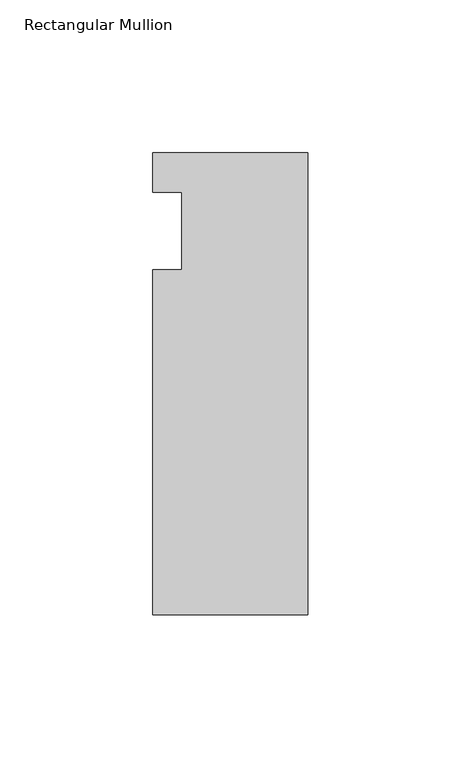
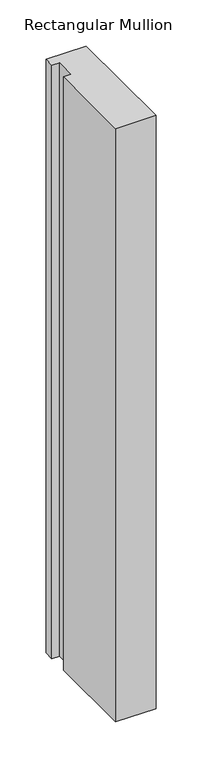
"""IFC4 building model written with IfcOpenShell, lengths in millimetres: member geometry, Rectangular Mullion."""

import ifcopenshell
import ifcopenshell.guid

model = None  # the IFC model being written
_history = None  # IfcOwnerHistory: only IFC2X3 demands one
_inside = {}  # id of a spatial element -> (the spatial element, [elements in it])
_under = {}  # id of a project, library or spatial element -> (it, [spatial elements below it])
_declared = {}  # id of a project -> (the project, [libraries it declares])
_typed = {}  # id of a type object -> (the type object, [elements of that type])
_made_of = {}  # id of a material, layer set ... -> (it, [elements and type objects made of it])


def new_model(schema):
    """Start an empty IFC model of exactly this schema.

    Asked for "IFC4X3", IfcOpenShell would pick the latest addendum, in which some entities
    have other attributes; the version numbers below select the first issue.
    IFC2X3 requires an IfcOwnerHistory on every rooted entity: one is made here for all.
    """
    global model, _history
    if schema == "IFC4X3":
        model = ifcopenshell.file(schema_version=(4, 3, 0, 0))
    else:
        model = ifcopenshell.file(schema=schema)
    _inside.clear()
    _under.clear()
    _declared.clear()
    _typed.clear()
    _made_of.clear()
    _history = None
    if model.schema == "IFC2X3":
        org = make("IfcOrganization", Name="unknown")
        user = make(
            "IfcPersonAndOrganization",
            ThePerson=make("IfcPerson", FamilyName="unknown"),
            TheOrganization=org,
        )
        app = make(
            "IfcApplication",
            ApplicationDeveloper=org,
            Version="unknown",
            ApplicationFullName="unknown",
            ApplicationIdentifier="unknown",
        )
        _history = make(
            "IfcOwnerHistory",
            OwningUser=user,
            OwningApplication=app,
            ChangeAction="ADDED",
            CreationDate=0,
        )
    return model


def make(cls, **values):
    """One entity of the class cls with the attributes given. An attribute that is None is left unset."""
    return model.create_entity(
        cls, **{name: value for name, value in values.items() if value is not None}
    )


def rooted(cls, **values):
    """An entity with a GlobalId (a new one), such as an element, a storey or a relation."""
    return make(cls, GlobalId=ifcopenshell.guid.new(), OwnerHistory=_history, **values)


def si_unit(unit_type, name, prefix=None):
    """IfcSIUnit, for example si_unit("LENGTHUNIT", "METRE", prefix="MILLI")."""
    return make("IfcSIUnit", UnitType=unit_type, Prefix=prefix, Name=name)


def assignment(units):
    """IfcUnitAssignment: the units of a project."""
    return None if units is None else make("IfcUnitAssignment", Units=units)


def point(xyz):
    """IfcCartesianPoint."""
    return None if xyz is None else make("IfcCartesianPoint", Coordinates=xyz)


def direction(xyz):
    """IfcDirection."""
    return None if xyz is None else make("IfcDirection", DirectionRatios=xyz)


def frame(location, z_axis=None, x_axis=None):
    """IfcAxis2Placement3D, a coordinate frame: its origin and axes. An axis left out is left unset."""
    return make(
        "IfcAxis2Placement3D",
        Location=point(location),
        Axis=direction(z_axis),
        RefDirection=direction(x_axis),
    )


def origin():
    """The frame at (0, 0, 0) with its axes left unset."""
    return frame((0.0, 0.0, 0.0))


def place(relative_to, where):
    """IfcLocalPlacement: puts the frame where relative to a parent placement (None: the world)."""
    return make(
        "IfcLocalPlacement", PlacementRelTo=relative_to, RelativePlacement=where
    )


def context(
    kind, dimensions, precision=None, world=None, true_north=None, identifier=None
):
    """IfcGeometricRepresentationContext, for example the 3D "Model" context."""
    return make(
        "IfcGeometricRepresentationContext",
        ContextIdentifier=identifier,
        ContextType=kind,
        CoordinateSpaceDimension=dimensions,
        Precision=precision,
        WorldCoordinateSystem=world,
        TrueNorth=true_north,
    )


def project(units=None, contexts=None):
    """IfcProject with its units and contexts."""
    return rooted(
        "IfcProject",
        Name="project",
        RepresentationContexts=contexts,
        UnitsInContext=assignment(units),
    )


def spatial(cls, under=None, at=None, **own):
    """A site, building, storey or space (cls), placed at a placement, below another one or the project."""
    s = rooted(cls, ObjectPlacement=at, **own)
    if under is not None:
        _under.setdefault(under.id(), (under, []))[1].append(s)
    return s


def polyline(points):
    """IfcPolyline through the points."""
    return make("IfcPolyline", Points=[point(p) for p in points])


def outline(outer, holes=None, kind="AREA"):
    """IfcArbitraryClosedProfileDef: a profile drawn as a closed curve; with holes, ...WithVoids."""
    if holes is None:
        return make("IfcArbitraryClosedProfileDef", ProfileType=kind, OuterCurve=outer)
    return make(
        "IfcArbitraryProfileDefWithVoids",
        ProfileType=kind,
        OuterCurve=outer,
        InnerCurves=holes,
    )


def extrude(swept, where, along, depth):
    """IfcExtrudedAreaSolid: the profile swept, set in the frame where, extruded along a direction by depth."""
    return make(
        "IfcExtrudedAreaSolid",
        SweptArea=swept,
        Position=where,
        ExtrudedDirection=direction(along),
        Depth=depth,
    )


def shape(context_of_items, identifier, shape_type, items):
    """IfcShapeRepresentation: the items that make up one representation, for example the "Body"."""
    return make(
        "IfcShapeRepresentation",
        ContextOfItems=context_of_items,
        RepresentationIdentifier=identifier,
        RepresentationType=shape_type,
        Items=items,
    )


def source(mapping_origin, context_of_items, identifier, shape_type, items):
    """IfcRepresentationMap: a shape defined once, which mapped items show again and again."""
    return make(
        "IfcRepresentationMap",
        MappingOrigin=mapping_origin,
        MappedRepresentation=shape(context_of_items, identifier, shape_type, items),
    )


def transform(
    local_origin,
    x_axis=None,
    y_axis=None,
    z_axis=None,
    scale=None,
    scale2=None,
    scale3=None,
    uniform=True,
):
    """IfcCartesianTransformationOperator3D, or its non-uniform kind. x_axis, y_axis, z_axis: its Axis1, 2, 3."""
    if uniform:
        return make(
            "IfcCartesianTransformationOperator3D",
            Axis1=direction(x_axis),
            Axis2=direction(y_axis),
            LocalOrigin=point(local_origin),
            Scale=scale,
            Axis3=direction(z_axis),
        )
    return make(
        "IfcCartesianTransformationOperator3DnonUniform",
        Axis1=direction(x_axis),
        Axis2=direction(y_axis),
        LocalOrigin=point(local_origin),
        Scale=scale,
        Axis3=direction(z_axis),
        Scale2=scale2,
        Scale3=scale3,
    )


def mapped(mapping_source, mapping_target):
    """IfcMappedItem: shows the shape of a source again, moved by a transform."""
    return make(
        "IfcMappedItem", MappingSource=mapping_source, MappingTarget=mapping_target
    )


def made_of(thing, what):
    """Note that an element or type object is made of a material, layer set ...; save() writes the relation."""
    if what is not None:
        _made_of.setdefault(what.id(), (what, []))[1].append(thing)
    return thing


def element(
    cls,
    number,
    at=None,
    inside=None,
    cuts=None,
    type_object=None,
    material=None,
    context=None,
    identifier="Body",
    shape_type=None,
    held_by="IfcProductDefinitionShape",
    body=None,
    shapes=None,
    **own,
):
    """One element of the class cls, such as IfcWall. Its Tag is "e" and its number.

    at: its placement. inside: the storey or other place that contains it. cuts: it is an
    opening in that element (IfcRelVoidsElement). A single representation is given by context,
    identifier, shape_type and body (its items); several are given by shapes. held_by: the class
    of the entity that holds the representations. save() writes the other relations.
    """
    e = rooted(cls, Tag="e%d" % number, ObjectPlacement=at, **own)
    if body is not None:
        shapes = [shape(context, identifier, shape_type, body)]
    if shapes is not None:
        e.Representation = make(held_by, Representations=shapes)
    if inside is not None:
        _inside.setdefault(inside.id(), (inside, []))[1].append(e)
    if cuts is not None:
        rooted(
            "IfcRelVoidsElement", RelatingBuildingElement=cuts, RelatedOpeningElement=e
        )
    if type_object is not None:
        _typed.setdefault(type_object.id(), (type_object, []))[1].append(e)
    return made_of(e, material)


def aggregate(whole, parts):
    """IfcRelAggregates: a whole, such as a stair, and the parts it consists of."""
    return rooted("IfcRelAggregates", RelatingObject=whole, RelatedObjects=parts)


def save(model, path):
    """Write the relations noted so far, then the file.

    IfcRelAggregates (storeys below a building ...), IfcRelContainedInSpatialStructure (elements
    in a storey), IfcRelDefinesByType, IfcRelAssociatesMaterial and IfcRelDeclares: one each for
    every whole, place, type object, material and project.
    """
    for whole, parts in _under.values():
        aggregate(whole, parts)
    for where, things in _inside.values():
        rooted(
            "IfcRelContainedInSpatialStructure",
            RelatedElements=things,
            RelatingStructure=where,
        )
    for kind, things in _typed.values():
        rooted("IfcRelDefinesByType", RelatedObjects=things, RelatingType=kind)
    for what, things in _made_of.values():
        rooted("IfcRelAssociatesMaterial", RelatedObjects=things, RelatingMaterial=what)
    for by, libraries in _declared.values():
        rooted("IfcRelDeclares", RelatingContext=by, RelatedDefinitions=libraries)
    model.write(path)


def rectangular_mullion_0cff3fb4(model_context):
    return source(origin(), model_context, "Body", "SweptSolid", [
        extrude(outline(polyline([(-25.4, 25.5984375), (25.4, 25.5984375), (25.4, -125.6109375), (-25.4, -125.6109375), (-25.4, -12.7), (-15.875, -12.7), (-15.875, 12.7), (-25.4, 12.7), (-25.4, 25.5984375)])), frame((0.0, 0.0, -787.4), z_axis=(0.0, 0.0, 1.0), x_axis=(1.0, 0.0, 0.0)), (0.0, 0.0, 1.0), 787.4),
    ])


if __name__ == "__main__":
    model = new_model("IFC4")
    model_context = context("Model", 3, world=origin())
    ifc_project = project(units=[si_unit("LENGTHUNIT", "METRE", prefix="MILLI")], contexts=[model_context])
    site = spatial("IfcSite", under=ifc_project)
    building = spatial("IfcBuilding", under=site)
    placement = place(None, origin())
    rectangular_mullion_shape = rectangular_mullion_0cff3fb4(model_context)
    element("IfcMember", 1, ObjectType="Rectangular Mullion", at=placement, inside=building, context=model_context, shape_type="MappedRepresentation", body=[
        mapped(rectangular_mullion_shape, transform((0.0, 0.0, 0.0), x_axis=(1.0, 0.0, 0.0), y_axis=(0.0, 1.0, 0.0), z_axis=(0.0, 0.0, 1.0))),
    ])
    save(model, "model.ifc")
